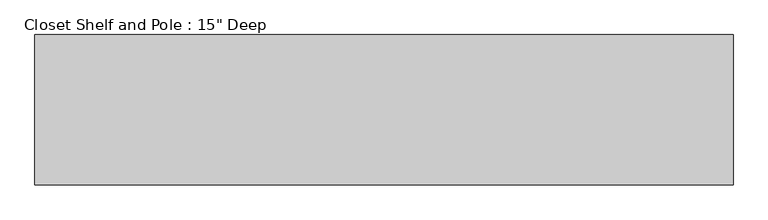
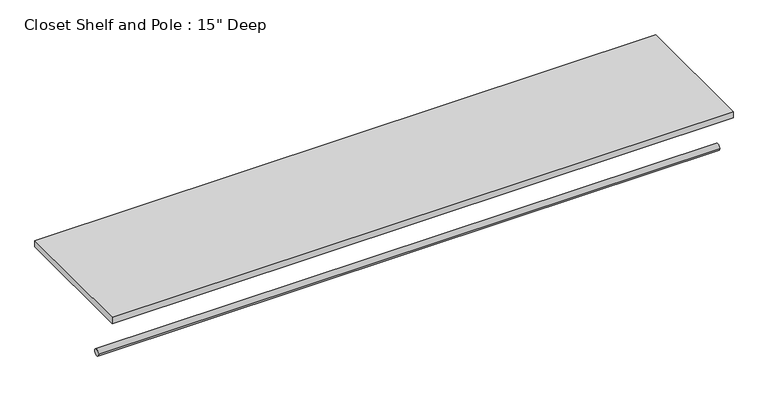
"""IFC4 building model written with IfcOpenShell, lengths in millimetres: proxy geometry."""

from ifc_helpers import new_model, si_unit, point, frame, frame_2d, origin, place, context, project, spatial, polyline, circle_curve, trimmed, segment, composite_curve, outline, extrude, source, transform, mapped, element, save


def proxy_4febdba0(model_context):
    return source(origin(), model_context, "Body", "SweptSolid", [
        extrude(outline(composite_curve([segment(trimmed(circle_curve(frame_2d((-304.8, 1676.4)), 9.525), [point((-314.325, 1676.4))], [point((-295.275, 1676.4))], False, "CARTESIAN"), True, "CONTINUOUS"), segment(trimmed(circle_curve(frame_2d((-304.8, 1676.4)), 9.525), [point((-295.275, 1676.4))], [point((-314.325, 1676.4))], False, "CARTESIAN"), True, "CONTINUOUS")], self_intersect=False)), frame((0.0, 0.0, 0.0), z_axis=(1.0, 0.0, 0.0), x_axis=(0.0, 1.0, 0.0)), (0.0, 0.0, 1.0), 1771.0304066),
        extrude(outline(polyline([(1771.0304066, 0.0), (1771.0304066, -381.0), (0.0, -381.0), (0.0, 0.0), (1771.0304066, 0.0)])), frame((0.0, 0.0, 1809.75), z_axis=(0.0, 0.0, 1.0), x_axis=(1.0, 0.0, 0.0)), (0.0, 0.0, 1.0), 19.05),
    ])


if __name__ == "__main__":
    model = new_model("IFC4")
    model_context = context("Model", 3, world=origin())
    ifc_project = project(units=[si_unit("LENGTHUNIT", "METRE", prefix="MILLI")], contexts=[model_context])
    site = spatial("IfcSite", under=ifc_project)
    building = spatial("IfcBuilding", under=site)
    placement = place(None, origin())
    proxy_shape = proxy_4febdba0(model_context)
    element("IfcBuildingElementProxy", 1, Name="Closet Shelf and Pole : 15\" Deep", ObjectType="Closet Shelf and Pole : 15\" Deep", at=placement, inside=building, context=model_context, shape_type="MappedRepresentation", body=[
        mapped(proxy_shape, transform((0.0, 0.0, 0.0), x_axis=(1.0, 0.0, 0.0), y_axis=(0.0, 1.0, 0.0), z_axis=(0.0, 0.0, 1.0))),
    ])
    save(model, "model.ifc")
